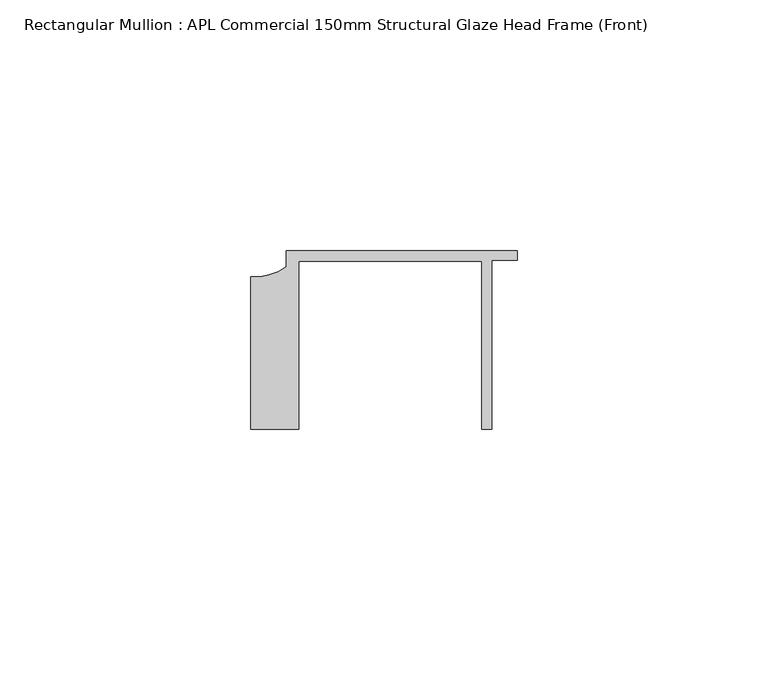
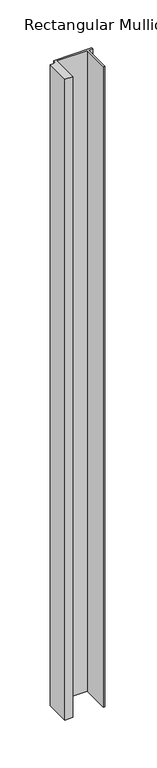
"""IFC4 building model written with IfcOpenShell, lengths in millimetres: member geometry, Rectangular Mullion : APL Commercial 150mm Structural Glaze Head Frame (Front)."""

from ifc_helpers import new_model, si_unit, point, frame, frame_2d, origin, place, context, project, spatial, polyline, circle_curve, trimmed, segment, composite_curve, outline, extrude, source, transform, mapped, element, save


def rectangular_mullion_apl_commercial_150mm_structural_glaze_e9ecac33(model_context):
    return source(origin(), model_context, "Body", "SweptSolid", [
        extrude(outline(composite_curve([segment(polyline([(-52.9999542, -15.0), (-52.9999542, 15.3798304)]), True, "CONTINUOUS"), segment(trimmed(circle_curve(frame_2d((-52.109817, 25.7982641)), 10.4563907), [point((-52.9999542, 15.3798304))], [point((-45.9999994, 17.3126154))], True, "CARTESIAN"), True, "CONTINUOUS"), segment(polyline([(-45.9999994, 17.3126154), (-45.9999994, 20.5002486), (0.0, 20.5002486), (0.0, 18.7002486), (-5.0, 18.7002486), (-5.0, -15.0), (-7.0, -15.0), (-7.0, 18.5002486), (-43.5000151, 18.5002486), (-43.5000151, -15.0), (-52.9999542, -15.0)]), True, "CONTINUOUS")], self_intersect=False)), frame((0.0, 0.0, -815.4605554), z_axis=(0.0, 0.0, 1.0), x_axis=(1.0, 0.0, 0.0)), (0.0, 0.0, 1.0), 815.4605554),
    ])


if __name__ == "__main__":
    model = new_model("IFC4")
    model_context = context("Model", 3, world=origin())
    ifc_project = project(units=[si_unit("LENGTHUNIT", "METRE", prefix="MILLI")], contexts=[model_context])
    site = spatial("IfcSite", under=ifc_project)
    building = spatial("IfcBuilding", under=site)
    placement = place(None, origin())
    rectangular_mullion_apl_commercial_150mm_structural_glaze_shape = rectangular_mullion_apl_commercial_150mm_structural_glaze_e9ecac33(model_context)
    element("IfcMember", 1, ObjectType="Rectangular Mullion : APL Commercial 150mm Structural Glaze Head Frame (Front)", at=placement, inside=building, context=model_context, shape_type="MappedRepresentation", body=[
        mapped(rectangular_mullion_apl_commercial_150mm_structural_glaze_shape, transform((0.0, 0.0, 0.0), x_axis=(1.0, 0.0, 0.0), y_axis=(0.0, 1.0, 0.0), z_axis=(0.0, 0.0, 1.0))),
    ])
    save(model, "model.ifc")
